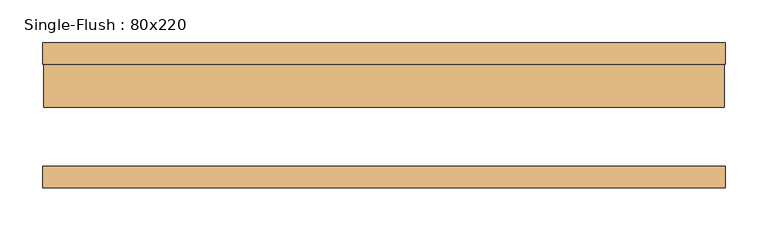
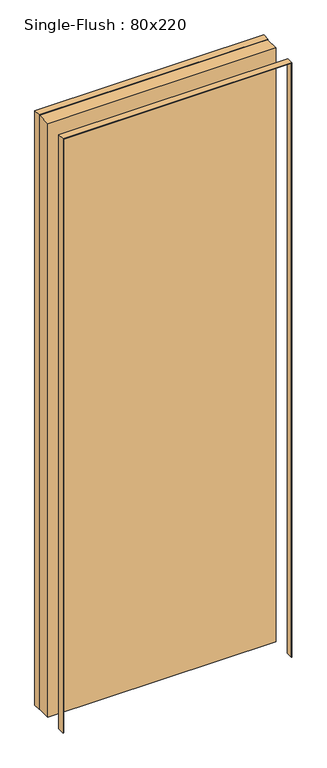
"""IFC4 building model written with IfcOpenShell, lengths in millimetres: door geometry, Single-Flush : 80x220."""

from ifc_helpers import new_model, si_unit, frame, origin, origin_with_axes, place, context, project, spatial, polyline, outline, extrude, source, transform, mapped, element, save


def single_flush_80x220_b64fd2a8(model_context):
    return source(origin(), model_context, "Body", "SweptSolid", [
        extrude(outline(polyline([(2201.5875, -401.5875), (0.0, -401.5875), (0.0, -400.0), (2200.0, -400.0), (2200.0, 400.0), (0.0, 400.0), (0.0, 401.5875), (2201.5875, 401.5875), (2201.5875, -401.5875)])), frame((0.0, 60.0, 0.0), z_axis=(0.0, 1.0, 0.0), x_axis=(0.0, 0.0, 1.0)), (0.0, 0.0, 1.0), 25.4),
        extrude(outline(polyline([(2201.5875, 401.5875), (2201.5875, -401.5875), (0.0, -401.5875), (0.0, -400.0), (2200.0, -400.0), (2200.0, 400.0), (0.0, 400.0), (0.0, 401.5875), (2201.5875, 401.5875)])), frame((0.0, -85.4, 0.0), z_axis=(0.0, 1.0, 0.0), x_axis=(0.0, 0.0, 1.0)), (0.0, 0.0, 1.0), 25.4),
        extrude(outline(polyline([(400.0, 9.2), (-400.0, 9.2), (-400.0, 60.0), (400.0, 60.0), (400.0, 9.2)])), origin_with_axes(), (0.0, 0.0, 1.0), 2200.0),
    ])


if __name__ == "__main__":
    model = new_model("IFC4")
    model_context = context("Model", 3, world=origin())
    ifc_project = project(units=[si_unit("LENGTHUNIT", "METRE", prefix="MILLI")], contexts=[model_context])
    site = spatial("IfcSite", under=ifc_project)
    building = spatial("IfcBuilding", under=site)
    placement = place(None, origin())
    single_flush_80x220_shape = single_flush_80x220_b64fd2a8(model_context)
    element("IfcDoor", 1, ObjectType="Single-Flush : 80x220", at=placement, inside=building, context=model_context, shape_type="MappedRepresentation", body=[
        mapped(single_flush_80x220_shape, transform((0.0, 0.0, 0.0), x_axis=(1.0, 0.0, 0.0), y_axis=(0.0, 1.0, 0.0), z_axis=(0.0, 0.0, 1.0))),
    ])
    save(model, "model.ifc")
